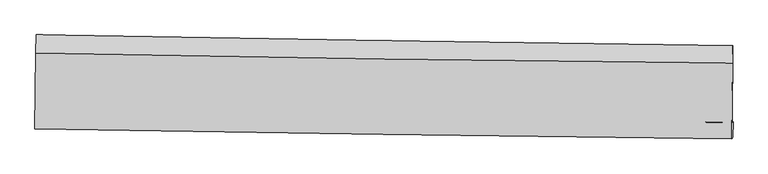
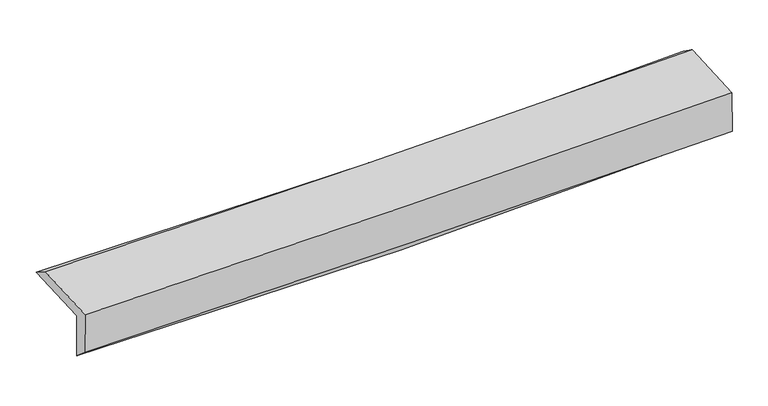
"""IFC4 building model written with IfcOpenShell, lengths in millimetres: proxy geometry."""

from ifc_helpers import new_model, si_unit, frame, origin, place, context, project, spatial, source, transform, mapped, element, save
from ifc_brep_helpers import plane_surface, spline_curve, spline_surface, advanced_brep


def generic_models_e07cd0b9(model_context):
    return source(origin(), model_context, "Body", "AdvancedBrep", [
        advanced_brep(
        [(-3031.1469493, -1760.1947255, 1979.0080522), (-3024.218494, -1085.7394717, 1998.8872913), (3016.5802779, -1180.762932, 2140.950229), (3009.4972793, -1845.6047358, 2134.025587), (-3022.8259661, -1748.2033143, 1569.2679305), (3017.6551827, -1841.4645469, 1728.1774419), (-3026.8973595, -1894.0231872, 1693.7055772), (3014.0858607, -1978.9480786, 1832.0287095), (-3034.7169677, -1905.2920644, 2078.7570995), (3006.1558515, -1990.3760553, 2222.5165741), (-3028.0501066, -1244.5069344, 2104.2947042), (3012.8227126, -1329.5909253, 2248.0541788)],
        [
            (0, 1),
            (1, 2, spline_curve(3, [(-3024.218494, -1085.7394717, 1998.8872913), (-2016.592828854, -1104.686107989, 1982.489668415), (-1009.409330471, -1122.077678034, 1986.127582411), (1004.190363055, -1153.752526114, 2033.477236559), (2010.606455454, -1168.035443047, 2077.193635016), (3016.5802779, -1180.762932, 2140.950229)], [4, 2, 4], [0.0, 9.915415624150318, 19.831983886841222])),
            (2, 3),
            (3, 0, spline_curve(3, [(3009.4972793, -1845.6047358, 2134.025587), (2003.665504092, -1831.378586627, 2063.977420001), (997.333311249, -1817.147597327, 2016.035742558), (-1016.214881259, -1788.677592555, 1964.36836936), (-2023.430764672, -1774.438578652, 1960.637535602), (-3031.1469493, -1760.1947255, 1979.0080522)], [4, 2, 4], [0.0, 9.916568262690904, 19.831983886841222])),
            (4, 0),
            (3, 5),
            (5, 4, spline_curve(3, [(3017.6551827, -1841.4645469, 1728.1774419), (2011.785567826, -1823.484750997, 1662.06178496), (1005.448048015, -1806.722702986, 1615.761878862), (-1008.045777185, -1775.635908384, 1562.796648287), (-2015.201973616, -1761.310879007, 1556.126716707), (-3022.8259661, -1748.2033143, 1569.2679305)], [4, 2, 4], [0.0, 9.916607026700838, 19.832061410355408])),
            (6, 4),
            (5, 7),
            (7, 6, spline_curve(3, [(3014.0858607, -1978.9480786, 1832.0287095), (2007.459303507, -1965.865591698, 1801.117946554), (1000.701490589, -1952.246831361, 1774.135195701), (-1012.959613436, -1923.93840953, 1728.028398235), (-2019.862873583, -1909.248872882, 1708.903438232), (-3026.8973595, -1894.0231872, 1693.7055772)], [4, 2, 4], [0.0, 9.914805645860595, 19.828458858055924])),
            (8, 6),
            (7, 9),
            (9, 8, spline_curve(3, [(3006.1558515, -1990.3760553, 2222.5165741), (1999.580528912, -1977.219734105, 2189.082937203), (992.857532389, -1963.550799017, 2160.385741482), (-1020.766774775, -1935.189349755, 2112.467017563), (-2027.668051817, -1920.496954347, 2093.24438858), (-3034.7169677, -1905.2920644, 2078.7570995)], [4, 2, 4], [0.0, 9.914026176817936, 19.82690001057111])),
            (10, 8),
            (9, 11),
            (11, 10, spline_curve(3, [(3012.8227126, -1329.5909253, 2248.0541788), (2006.180174758, -1323.096625992, 2214.363072353), (999.423572748, -1312.758508476, 2185.537149258), (-1014.200726535, -1284.396284541, 2137.618455385), (-2021.06839778, -1266.373071979, 2118.524553358), (-3028.0501066, -1244.5069344, 2104.2947042)], [4, 2, 4], [0.0, 9.914092976972935, 19.827033603116682])),
            (1, 10),
            (11, 2),
        ],
        [
            spline_surface(3, 3, [[(-3031.1469493, -1760.1947255, 1979.0080522), (-2023.430764734, -1774.438578623, 1960.63753544), (-1016.214881267, -1788.677592662, 1964.368369525), (997.333311257, -1817.14759722, 2016.035742393), (2003.665503989, -1831.378586615, 2063.977419901), (3009.4972793, -1845.6047358, 2134.025587)], [(-3028.837464183, -1535.376307561, 1985.634465233), (-2021.151452713, -1551.187755055, 1967.92157974), (-1013.9463643, -1566.477621071, 1971.621440476), (999.618995197, -1596.015906887, 2021.849573766), (2005.979154462, -1610.264205415, 2068.38282494), (3011.858278853, -1623.990801193, 2136.333800983)], [(-3026.527979117, -1310.557889639, 1992.260878267), (-2018.872140743, -1327.936931505, 1975.205624041), (-1011.677847397, -1344.277649499, 1978.874511466), (1001.904679074, -1374.884216572, 2027.66340518), (2008.292804876, -1389.149824236, 2072.788230029), (3014.219278347, -1402.376866607, 2138.642015017)], [(-3024.218494, -1085.7394717, 1998.8872913), (-2016.592828722, -1104.686107936, 1982.489668341), (-1009.40933043, -1122.077677909, 1986.127582417), (1004.190363014, -1153.752526239, 2033.477236553), (2010.606455349, -1168.035443036, 2077.193635069), (3016.5802779, -1180.762932, 2140.950229)]], [4, 4], [4, 2, 4], [0.0, 2.1828122111998076], [0.0, 9.915415624150318, 19.831983886841222]),
            spline_surface(3, 3, [[(-3022.8259661, -1748.2033143, 1569.2679305), (-2015.201973462, -1761.310879135, 1556.126716798), (-1008.045777099, -1775.635908457, 1562.796648136), (1005.44804793, -1806.722702913, 1615.761879013), (2011.785567842, -1823.484751139, 1662.06178483), (3017.6551827, -1841.4645469, 1728.1774419)], [(-3025.599627165, -1752.200451367, 1705.847971053), (-2017.944903884, -1765.686778965, 1690.963656331), (-1010.76881184, -1779.983136518, 1696.653888611), (1002.743135688, -1810.197667675, 1749.186500152), (2009.078879897, -1826.116029639, 1796.033663187), (3014.935881572, -1842.844609875, 1863.460156933)], [(-3028.373288235, -1756.197588433, 1842.428011647), (-2020.687834311, -1770.062678793, 1825.800595907), (-1013.491846527, -1784.330364601, 1830.511129049), (1000.038223499, -1813.672632458, 1882.611121254), (2006.372191934, -1828.747308115, 1930.005541544), (3012.216580428, -1844.224672825, 1998.742871967)], [(-3031.1469493, -1760.1947255, 1979.0080522), (-2023.430764734, -1774.438578623, 1960.63753544), (-1016.214881267, -1788.677592662, 1964.368369525), (997.333311257, -1817.14759722, 2016.035742393), (2003.665503989, -1831.378586615, 2063.977419901), (3009.4972793, -1845.6047358, 2134.025587)]], [4, 4], [4, 2, 4], [0.0, 1.3161974943450059], [0.0, 9.91545438365457, 19.832061410355408]),
            spline_surface(3, 3, [[(-3026.8973595, -1894.0231872, 1693.7055772), (-2019.862873716, -1909.248872732, 1708.903438096), (-1012.959613377, -1923.938409543, 1728.028398125), (1000.70149053, -1952.246831347, 1774.135195811), (2007.459303598, -1965.865591646, 1801.117946548), (3014.0858607, -1978.9480786, 1832.0287095)], [(-3025.540228388, -1845.416562921, 1652.226361631), (-2018.309240319, -1859.936208221, 1657.977864328), (-1011.321667934, -1874.504242513, 1672.951148138), (1002.283676347, -1903.738788535, 1721.344090222), (2008.901391658, -1918.405311478, 1754.765892628), (3015.275634679, -1933.120234702, 1797.411620287)], [(-3024.183097212, -1796.809938579, 1610.747146069), (-2016.755606859, -1810.623543646, 1607.052290566), (-1009.683722543, -1825.070075487, 1617.873898122), (1003.865862112, -1855.230745726, 1668.552984602), (2010.343479782, -1870.945031306, 1708.413838749), (3016.465408721, -1887.292390798, 1762.794531113)], [(-3022.8259661, -1748.2033143, 1569.2679305), (-2015.201973462, -1761.310879135, 1556.126716798), (-1008.045777099, -1775.635908457, 1562.796648136), (1005.44804793, -1806.722702913, 1615.761879013), (2011.785567842, -1823.484751139, 1662.06178483), (3017.6551827, -1841.4645469, 1728.1774419)]], [4, 4], [4, 2, 4], [0.0, 0.71719742480315], [0.0, 9.91365321219533, 19.828458858055924]),
            spline_surface(3, 3, [[(-3034.7169677, -1905.2920644, 2078.7570995), (-2027.668051654, -1920.496954408, 2093.244388426), (-1020.766774891, -1935.189349664, 2112.467017592), (992.857532505, -1963.550799108, 2160.385741453), (1999.580528805, -1977.219734181, 2189.082937157), (3006.1558515, -1990.3760553, 2222.5165741)], [(-3032.110431608, -1901.535771982, 1950.40659209), (-2025.06632565, -1916.747593831, 1965.130738339), (-1018.164387732, -1931.439036295, 1984.320811095), (995.472185167, -1959.782809859, 2031.635559564), (2002.20678709, -1973.435020011, 2059.761273646), (3008.79918792, -1986.566729742, 2092.353952592)], [(-3029.503895592, -1897.779479618, 1822.05608461), (-2022.464599721, -1912.998233309, 1837.017088183), (-1015.562000536, -1927.688722912, 1856.174604622), (998.086837868, -1956.014820596, 1902.8853777), (2004.833045314, -1969.650305816, 1930.439610059), (3011.44252428, -1982.757404158, 1962.191331008)], [(-3026.8973595, -1894.0231872, 1693.7055772), (-2019.862873716, -1909.248872732, 1708.903438096), (-1012.959613377, -1923.938409543, 1728.028398125), (1000.70149053, -1952.246831347, 1774.135195811), (2007.459303598, -1965.865591646, 1801.117946548), (3014.0858607, -1978.9480786, 1832.0287095)]], [4, 4], [4, 2, 4], [0.0, 1.2650560806941669], [0.0, 9.912873833753173, 19.82690001057111]),
            spline_surface(3, 3, [[(-3028.0501066, -1244.5069344, 2104.2947042), (-2021.068397896, -1266.373071924, 2118.524553455), (-1014.200726684, -1284.396284611, 2137.618455354), (999.423572898, -1312.758508406, 2185.537149289), (2006.18017475, -1323.096626049, 2214.36307226), (3012.8227126, -1329.5909253, 2248.0541788)], [(-3030.272393655, -1464.768644391, 2095.782169291), (-2023.268282504, -1484.414366077, 2110.09783177), (-1016.389409417, -1501.327306319, 2129.234642774), (997.23489277, -1529.689271997, 2177.153346685), (2003.980292747, -1541.137662084, 2205.93636055), (3010.600425545, -1549.852635291, 2239.541643891)], [(-3032.494680645, -1685.030354409, 2087.269634409), (-2025.468167047, -1702.455660255, 2101.671110111), (-1018.578092158, -1718.258327957, 2120.850830172), (995.046212633, -1746.620035518, 2168.769544058), (2001.780410808, -1759.178698146, 2197.509648867), (3008.378138555, -1770.114345309, 2231.029109009)], [(-3034.7169677, -1905.2920644, 2078.7570995), (-2027.668051654, -1920.496954408, 2093.244388426), (-1020.766774891, -1935.189349664, 2112.467017592), (992.857532505, -1963.550799108, 2160.385741453), (1999.580528805, -1977.219734181, 2189.082937157), (3006.1558515, -1990.3760553, 2222.5165741)]], [4, 4], [4, 2, 4], [0.0, 2.1368491225856356], [0.0, 9.912940626143747, 19.827033603116682]),
            spline_surface(3, 3, [[(-3024.218494, -1085.7394717, 1998.8872913), (-2016.592828722, -1104.686107936, 1982.489668341), (-1009.40933043, -1122.077677909, 1986.127582417), (1004.190363014, -1153.752526239, 2033.477236553), (2010.606455349, -1168.035443036, 2077.193635069), (3016.5802779, -1180.762932, 2140.950229)], [(-3025.495698201, -1138.661959278, 2034.023095603), (-2018.084685114, -1158.58176261, 2027.834630048), (-1011.006462526, -1176.18388013, 2036.624540054), (1002.601432964, -1206.754520282, 2084.163874123), (2009.131028479, -1219.722504037, 2122.916780813), (3015.32775613, -1230.372263097, 2176.651545613)], [(-3026.772902399, -1191.584446822, 2069.158899897), (-2019.576541504, -1212.477417251, 2073.179591748), (-1012.603594589, -1230.29008239, 2087.121497717), (1001.012502948, -1259.756514364, 2134.850511719), (2007.655601619, -1271.409565047, 2168.639926516), (3014.07523437, -1279.981594203, 2212.352862187)], [(-3028.0501066, -1244.5069344, 2104.2947042), (-2021.068397896, -1266.373071924, 2118.524553455), (-1014.200726684, -1284.396284611, 2137.618455354), (999.423572898, -1312.758508406, 2185.537149289), (2006.18017475, -1323.096626049, 2214.36307226), (3012.8227126, -1329.5909253, 2248.0541788)]], [4, 4], [4, 2, 4], [0.0, 0.7252877486445647], [0.0, 9.913743782293707, 19.828640008781193]),
            plane_surface(frame((3012.7995275, -1694.457879, 2050.9587867), z_axis=(0.9997413088794463, -0.010859056371786417, 0.019984899667647733), x_axis=(0.020295080965429837, 0.029247344395399177, -0.9993661503845443))),
            plane_surface(frame((-3027.9759739, -1606.3266163, 1903.9867758), z_axis=(-0.999741308879453, 0.010859056370021568, -0.019984899668274644), x_axis=(-0.01026766811801168, -0.999513218392118, -0.029460163795342775))),
        ],
        [
            (0, [[1, 2, 3, 4]]),
            (1, [[5, -4, 6, 7]]),
            (2, [[8, -7, 9, 10]]),
            (3, [[11, -10, 12, 13]]),
            (4, [[14, -13, 15, 16]]),
            (5, [[17, -16, 18, -2]]),
            (6, [[-12, -9, -6, -3, -18, -15]]),
            (7, [[-1, -5, -8, -11, -14, -17]]),
        ],
    ),
    ])


if __name__ == "__main__":
    model = new_model("IFC4")
    model_context = context("Model", 3, world=origin())
    ifc_project = project(units=[si_unit("LENGTHUNIT", "METRE", prefix="MILLI")], contexts=[model_context])
    site = spatial("IfcSite", under=ifc_project)
    building = spatial("IfcBuilding", under=site)
    placement = place(None, origin())
    generic_models_shape = generic_models_e07cd0b9(model_context)
    element("IfcBuildingElementProxy", 1, Name="Generic Models", at=placement, inside=building, context=model_context, shape_type="MappedRepresentation", body=[
        mapped(generic_models_shape, transform((0.0, 0.0, 0.0), x_axis=(1.0, 0.0, 0.0), y_axis=(0.0, 1.0, 0.0), z_axis=(0.0, 0.0, 1.0))),
    ])
    save(model, "model.ifc")
